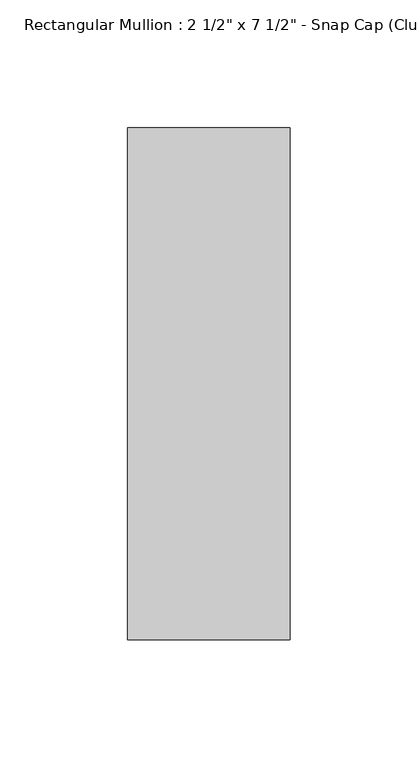
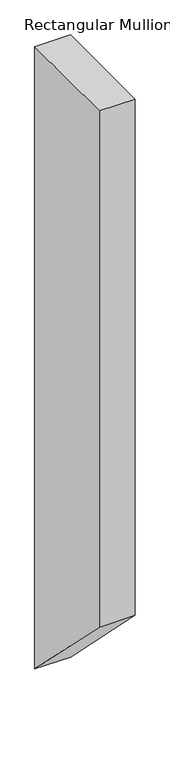
"""IFC4 building model written with IfcOpenShell, lengths in millimetres: member geometry."""

from ifc_helpers import new_model, si_unit, frame, origin, place, context, project, spatial, polyline, outline, extrude, source, transform, mapped, element, save


def member_8096bdd5(model_context):
    return source(origin(), model_context, "Body", "SweptSolid", [
        extrude(outline(polyline([(-174.2, 0.0), (25.8, 0.0), (25.8, -1173.4), (-174.2, -973.4), (-174.2, 0.0)])), frame((-63.5, 0.0, 0.0), z_axis=(1.0, 0.0, 0.0), x_axis=(0.0, 1.0, 0.0)), (0.0, 0.0, 1.0), 63.5),
    ])


if __name__ == "__main__":
    model = new_model("IFC4")
    model_context = context("Model", 3, world=origin())
    ifc_project = project(units=[si_unit("LENGTHUNIT", "METRE", prefix="MILLI")], contexts=[model_context])
    site = spatial("IfcSite", under=ifc_project)
    building = spatial("IfcBuilding", under=site)
    placement = place(None, origin())
    member_shape = member_8096bdd5(model_context)
    element("IfcMember", 1, ObjectType="Rectangular Mullion : 2 1/2\" x 7 1/2\" - Snap Cap (Club)", at=placement, inside=building, context=model_context, shape_type="MappedRepresentation", body=[
        mapped(member_shape, transform((0.0, 0.0, 0.0), x_axis=(1.0, 0.0, 0.0), y_axis=(0.0, 1.0, 0.0), z_axis=(0.0, 0.0, 1.0))),
    ])
    save(model, "model.ifc")
